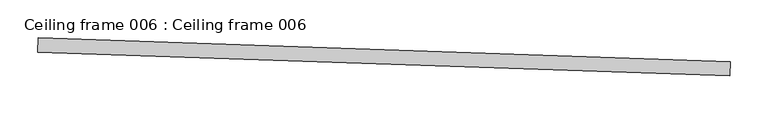
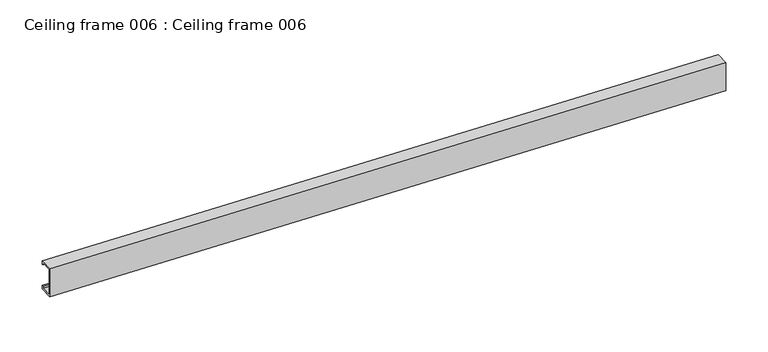
"""IFC4 building model written with IfcOpenShell, lengths in millimetres: proxy geometry, Ceiling frame 006 : Ceiling frame 006."""

from ifc_helpers import new_model, si_unit, frame, origin, place, context, project, spatial, polyline, outline, extrude, source, transform, mapped, element, save


def ceiling_frame_006_ceiling_frame_006_12ff19c0(model_context):
    return source(origin(), model_context, "Body", "SweptSolid", [
        extrude(outline(polyline([(1.822266, 0.0), (1.822266, -4.7988281), (-17.0253903, -4.7988281), (-17.0253903, 35.8222645), (1.8222636, 35.8222645), (1.8222636, 31.0234375), (-1.8e-06, 31.0234375), (-1.8e-06, 33.999999), (-15.2031248, 33.999999), (-15.2031248, -2.9765626), (0.0, -2.9765626), (0.0, 0.0), (1.822266, 0.0)])), frame((34280.4211518, -17637.346435, 3411.3604798), z_axis=(-0.9994149479163345, 0.034201781845258176, 0.0), x_axis=(0.034201781845258176, 0.9994149479163345, 0.0)), (0.0, 0.0, 1.0), 914.3999924),
    ])


if __name__ == "__main__":
    model = new_model("IFC4")
    model_context = context("Model", 3, world=origin())
    ifc_project = project(units=[si_unit("LENGTHUNIT", "METRE", prefix="MILLI")], contexts=[model_context])
    site = spatial("IfcSite", under=ifc_project)
    building = spatial("IfcBuilding", under=site)
    placement = place(None, origin())
    ceiling_frame_006_ceiling_frame_006_shape = ceiling_frame_006_ceiling_frame_006_12ff19c0(model_context)
    element("IfcBuildingElementProxy", 1, Name="Ceiling frame 006 : Ceiling frame 006", ObjectType="Ceiling frame 006 : Ceiling frame 006", at=placement, inside=building, context=model_context, shape_type="MappedRepresentation", body=[
        mapped(ceiling_frame_006_ceiling_frame_006_shape, transform((0.0, 0.0, 0.0), x_axis=(1.0, 0.0, 0.0), y_axis=(0.0, 1.0, 0.0), z_axis=(0.0, 0.0, 1.0))),
    ])
    save(model, "model.ifc")
